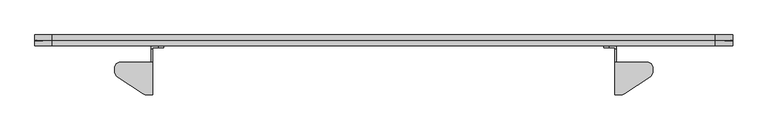
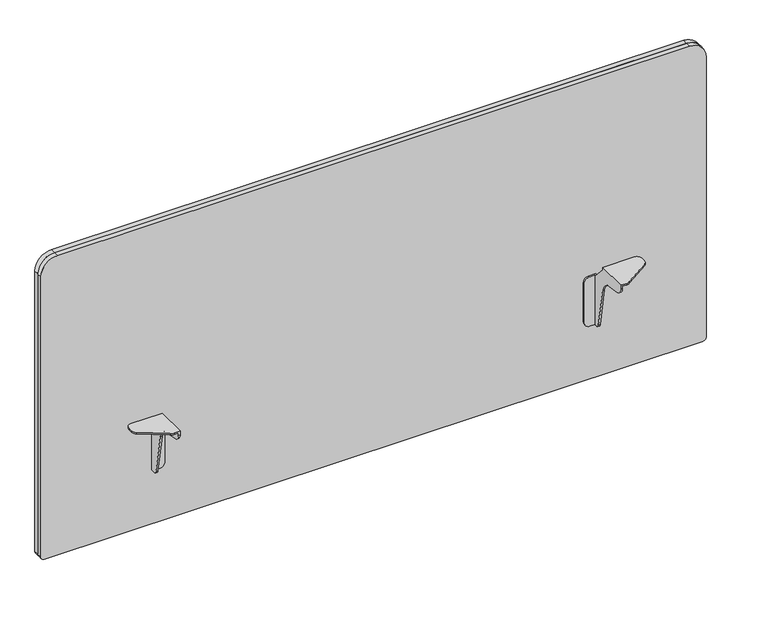
"""IFC4 building model written with IfcOpenShell, lengths in millimetres: furniture geometry."""

from ifc_helpers import new_model, si_unit, frame, origin, place, context, project, spatial, polyline, circle_curve, source, transform, mapped, element, save
from ifc_brep_helpers import plane_surface, cylinder_surface, revolved_surface, advanced_brep


def furniture_e84cbcf6(model_context):
    return source(origin(), model_context, "Body", "AdvancedBrep", [
        advanced_brep(
        [(206.8829935, -4.3180001, 711.1999758), (150.402651, -4.3180001, 711.1999758), (140.5889931, -14.1316581, 711.1999758), (140.5889931, -20.7803664, 711.1999758), (145.2146694, -29.3891686, 711.1999758), (190.0644164, -59.0745687, 711.1999758), (196.3290217, -60.9600009, 711.1999758), (206.8829935, -60.9600009, 711.1999758), (196.3290217, -60.9600009, 708.1519787), (190.0644164, -59.0745687, 708.1519787), (145.2146694, -29.3891686, 708.1519787), (140.5889931, -20.7803664, 708.1519787), (140.5889931, -14.1316581, 708.1519787), (150.402651, -4.3180001, 708.1519787), (203.8349964, -4.3180001, 708.1519787), (203.8349964, -60.9600009, 708.1519787), (206.8829935, -4.3180001, 706.1199806), (203.8349964, -4.3180001, 706.1199806), (203.8349964, -60.9600009, 703.8265101), (206.8829935, -60.9600009, 703.8265101), (206.8829935, -50.2113329, 691.0167374), (206.8829935, -23.9076971, 686.378678), (206.8829935, -3.731792, 666.2027591), (206.8829935, 9.5046172, 591.1353553), (206.8829935, 15.6509087, 585.9780044), (206.8829935, 20.8280006, 585.9780044), (206.8829935, 20.8280006, 681.227968), (206.8829935, 18.7960002, 681.227968), (203.8349964, 18.7960002, 681.227968), (203.8349964, 24.0041421, 681.227968), (203.8349964, 24.0041421, 585.9780044), (203.8349964, 15.6509087, 585.9780044), (203.8349964, 9.5046172, 591.1353553), (203.8349964, -3.731792, 666.2027591), (203.8349964, -23.9076971, 686.378678), (203.8349964, -50.2113329, 691.0167374), (216.6619932, 24.0041421, 681.227968), (226.1869932, 24.0041421, 671.702968), (226.1869932, 24.0041421, 595.5030044), (216.6619932, 24.0041421, 585.9780044), (216.6619932, 20.8280006, 585.9780044), (216.6619932, 20.8280006, 681.227968), (226.1869932, 20.8280006, 595.5030044), (226.1869932, 20.8280006, 671.702968)],
        [
            (0, 1),
            (1, 2, circle_curve(frame((150.402651, -14.1316581, 711.1999758), z_axis=(0.0, 0.0, 1.0), x_axis=(-1.0, 0.0, 0.0)), 9.8136579)),
            (2, 3),
            (3, 4, circle_curve(frame((150.9127113, -20.7803664, 711.1999758), z_axis=(0.0, 0.0, 1.0), x_axis=(-1.0, 0.0, 0.0)), 10.3237182)),
            (4, 5),
            (5, 6, circle_curve(frame((196.3290217, -49.6097826, 711.1999758), z_axis=(0.0, 0.0, 1.0), x_axis=(-1.0, 0.0, 0.0)), 11.3502183)),
            (6, 7),
            (7, 0),
            (8, 9, circle_curve(frame((196.3290217, -49.6097826, 708.1519787), z_axis=(0.0, 0.0, -1.0), x_axis=(-1.0, 0.0, 0.0)), 11.3502183)),
            (9, 10),
            (10, 11, circle_curve(frame((150.9127113, -20.7803664, 708.1519787), z_axis=(0.0, 0.0, -1.0), x_axis=(-1.0, 0.0, 0.0)), 10.3237182)),
            (11, 12),
            (12, 13, circle_curve(frame((150.402651, -14.1316581, 708.1519787), z_axis=(0.0, 0.0, -1.0), x_axis=(-1.0, 0.0, 0.0)), 9.8136579)),
            (13, 14),
            (14, 15),
            (15, 8),
            (0, 16),
            (16, 17),
            (17, 14),
            (13, 1),
            (12, 2),
            (11, 3),
            (10, 4),
            (9, 5),
            (8, 6),
            (15, 18),
            (18, 19),
            (19, 7),
            (19, 20, circle_curve(frame((206.8829935, -47.9526152, 703.8265101), z_axis=(1.0, 0.0, 0.0), x_axis=(0.0, 1.0, 0.0)), 13.0073857)),
            (20, 21),
            (21, 22, circle_curve(frame((206.8829935, -28.2268544, 661.8836185), z_axis=(-1.0, 0.0, 0.0), x_axis=(0.0, 1.0, 0.0)), 24.8729383)),
            (22, 23),
            (23, 24, circle_curve(frame((206.8829935, 15.6509087, 592.2191124), z_axis=(1.0, 0.0, 0.0), x_axis=(0.0, 1.0, 0.0)), 6.241108)),
            (24, 25),
            (25, 26),
            (26, 27),
            (27, 16),
            (17, 28),
            (28, 29),
            (29, 30),
            (30, 31),
            (31, 32, circle_curve(frame((203.8349964, 15.6509087, 592.2191124), z_axis=(-1.0, 0.0, 0.0), x_axis=(0.0, 1.0, 0.0)), 6.241108)),
            (32, 33),
            (33, 34, circle_curve(frame((203.8349964, -28.2268544, 661.8836185), z_axis=(1.0, 0.0, 0.0), x_axis=(0.0, 1.0, 0.0)), 24.8729383)),
            (34, 35),
            (35, 18, circle_curve(frame((203.8349964, -47.9526152, 703.8265101), z_axis=(-1.0, 0.0, 0.0), x_axis=(0.0, 1.0, 0.0)), 13.0073857)),
            (29, 36),
            (36, 37, circle_curve(frame((216.6619932, 24.0041421, 671.702968), z_axis=(0.0, 1.0, 0.0), x_axis=(1.0, 0.0, 0.0)), 9.525)),
            (37, 38),
            (38, 39, circle_curve(frame((216.6619932, 24.0041421, 595.5030044), z_axis=(0.0, 1.0, 0.0), x_axis=(1.0, 0.0, 0.0)), 9.525)),
            (39, 30),
            (35, 20),
            (34, 21),
            (33, 22),
            (32, 23),
            (31, 24),
            (39, 40),
            (40, 25),
            (28, 27),
            (26, 41),
            (41, 36),
            (40, 42, circle_curve(frame((216.6619932, 20.8280006, 595.5030044), z_axis=(0.0, -1.0, 0.0), x_axis=(1.0, 0.0, 0.0)), 9.525)),
            (42, 43),
            (43, 41, circle_curve(frame((216.6619932, 20.8280006, 671.702968), z_axis=(0.0, -1.0, 0.0), x_axis=(1.0, 0.0, 0.0)), 9.525)),
            (38, 42),
            (37, 43),
        ],
        [
            plane_surface(frame((150.402651, -4.3180001, 711.1999758), z_axis=(0.0, 0.0, 1.0), x_axis=(-1.0, 0.0, 0.0))),
            plane_surface(frame((150.402651, -4.3180001, 708.1519787), z_axis=(0.0, 0.0, -1.0), x_axis=(1.0, 0.0, 0.0))),
            plane_surface(frame((206.8829935, -4.3180001, 711.1999758), z_axis=(0.0, 1.0, 0.0), x_axis=(0.0, 0.0, -1.0))),
            cylinder_surface(frame((150.402651, -14.1316581, 708.1519787), z_axis=(0.0, 0.0, 1.0), x_axis=(-1.0, 0.0, 0.0)), 9.8136579),
            plane_surface(frame((140.5889931, -14.1316581, 711.1999758), z_axis=(-1.0, 0.0, 0.0), x_axis=(0.0, 0.0, -1.0))),
            cylinder_surface(frame((150.9127113, -20.7803664, 708.1519787), z_axis=(0.0, 0.0, 1.0), x_axis=(-1.0, 0.0, 0.0)), 10.3237182),
            plane_surface(frame((145.2146694, -29.3891686, 711.1999758), z_axis=(-0.5519369866119054, -0.8338858212068182, 0.0), x_axis=(0.0, 0.0, -1.0))),
            cylinder_surface(frame((196.3290217, -49.6097826, 708.1519787), z_axis=(0.0, 0.0, 1.0), x_axis=(-1.0, 0.0, 0.0)), 11.3502183),
            plane_surface(frame((196.3290217, -60.9600009, 711.1999758), z_axis=(0.0, -1.0, 0.0), x_axis=(0.0, 0.0, -1.0))),
            plane_surface(frame((206.8829935, -60.9600009, 711.1999758), z_axis=(1.0, 0.0, 0.0), x_axis=(0.0, 0.0, -1.0))),
            plane_surface(frame((203.8349964, -60.9600009, 708.1519787), z_axis=(-1.0, 0.0, 0.0), x_axis=(0.0, 1.0, 0.0))),
            plane_surface(frame((206.8829935, 24.0041421, 585.9780044), z_axis=(0.0, 1.0, 0.0), x_axis=(-1.0, 0.0, 0.0))),
            cylinder_surface(frame((203.8349964, -47.9526152, 703.8265101), z_axis=(1.0, 0.0, 0.0), x_axis=(0.0, 1.0, 0.0)), 13.0073857),
            plane_surface(frame((206.8829935, -50.2113329, 691.0167374), z_axis=(0.0, -0.17364885742427638, -0.9848076331524057), x_axis=(-1.0, 0.0, 0.0))),
            revolved_surface(polyline([(203.8349964, -3.3539160999999993, 661.8836185), (206.8829935, -3.3539160999999993, 661.8836185)]), (203.8349964, -28.2268544, 661.8836185), (-1.0, 0.0, 0.0)),
            plane_surface(frame((206.8829935, -3.731792, 666.2027591), z_axis=(0.0, -0.9848077519646093, -0.17364818360815795), x_axis=(-1.0, 0.0, 0.0))),
            cylinder_surface(frame((203.8349964, 15.6509087, 592.2191124), z_axis=(1.0, 0.0, 0.0), x_axis=(0.0, 1.0, 0.0)), 6.241108),
            plane_surface(frame((206.8829935, 15.6509087, 585.9780044), z_axis=(0.0, 0.0, -1.0), x_axis=(-1.0, 0.0, 0.0))),
            plane_surface(frame((206.8829935, 24.0041421, 681.227968), z_axis=(0.0, 0.0, 1.0), x_axis=(-1.0, 0.0, 0.0))),
            plane_surface(frame((206.8829935, 18.7960002, 681.227968), z_axis=(0.0, 0.7327936577078579, 0.6804509205101709), x_axis=(-1.0, 0.0, 0.0))),
            plane_surface(frame((216.6619932, 20.8280006, 585.9780044), z_axis=(0.0, -1.0, 0.0), x_axis=(1.0, 0.0, 0.0))),
            cylinder_surface(frame((216.6619932, 24.0041421, 595.5030044), z_axis=(0.0, -1.0, 0.0), x_axis=(1.0, 0.0, 0.0)), 9.525),
            plane_surface(frame((226.1869932, 20.8280006, 595.5030044), z_axis=(1.0, 0.0, 0.0), x_axis=(0.0, 1.0, 0.0))),
            cylinder_surface(frame((216.6619932, 24.0041421, 671.702968), z_axis=(0.0, -1.0, 0.0), x_axis=(1.0, 0.0, 0.0)), 9.525),
        ],
        [
            (0, [[1, 2, 3, 4, 5, 6, 7, 8]]),
            (1, [[9, 10, 11, 12, 13, 14, 15, 16]]),
            (2, [[-1, 17, 18, 19, -14, 20]]),
            (3, [[-2, -20, -13, 21]]),
            (4, [[-3, -21, -12, 22]]),
            (5, [[-4, -22, -11, 23]]),
            (6, [[-5, -23, -10, 24]]),
            (7, [[-6, -24, -9, 25]]),
            (8, [[-7, -25, -16, 26, 27, 28]]),
            (9, [[-8, -28, 29, 30, 31, 32, 33, 34, 35, 36, 37, -17]]),
            (10, [[-19, 38, 39, 40, 41, 42, 43, 44, 45, 46, -26, -15]]),
            (11, [[-40, 47, 48, 49, 50, 51]]),
            (12, [[-46, 52, -29, -27]]),
            (13, [[-45, 53, -30, -52]]),
            (14, [[-44, 54, -31, -53]]),
            (15, [[-43, 55, -32, -54]]),
            (16, [[-42, 56, -33, -55]]),
            (17, [[-56, -41, -51, 57, 58, -34]]),
            (18, [[59, -36, 60, 61, -47, -39]]),
            (19, [[-38, -18, -37, -59]]),
            (20, [[62, 63, 64, -60, -35, -58]]),
            (21, [[-62, -57, -50, 65]]),
            (22, [[-63, -65, -49, 66]]),
            (23, [[-64, -66, -48, -61]]),
        ],
    ),
        advanced_brep(
        [(1012.3169884, -4.3180001, 711.1999758), (1012.3169884, -60.9600009, 711.1999758), (1022.8709601, -60.9600009, 711.1999758), (1029.1355654, -59.0745687, 711.1999758), (1073.9853125, -29.3891686, 711.1999758), (1078.6109887, -20.7803664, 711.1999758), (1078.6109887, -14.1316581, 711.1999758), (1068.7973308, -4.3180001, 711.1999758), (1068.7973308, -4.3180001, 708.1519787), (1078.6109887, -14.1316581, 708.1519787), (1078.6109887, -20.7803664, 708.1519787), (1073.9853125, -29.3891686, 708.1519787), (1029.1355654, -59.0745687, 708.1519787), (1022.8709601, -60.9600009, 708.1519787), (1015.3649855, -60.9600009, 708.1519787), (1015.3649855, -4.3180001, 708.1519787), (1012.3169884, -4.3180001, 706.1199806), (1012.3169884, 18.7960002, 681.227968), (1012.3169884, 20.8280006, 681.227968), (1012.3169884, 20.8280006, 585.9780044), (1012.3169884, 15.6509087, 585.9780044), (1012.3169884, 9.5046172, 591.1353553), (1012.3169884, -3.731792, 666.2027591), (1012.3169884, -23.9076971, 686.378678), (1012.3169884, -50.2113329, 691.0167374), (1012.3169884, -60.9600009, 703.8265101), (1015.3649855, -60.9600009, 703.8265101), (1015.3649855, -4.3180001, 706.1199806), (1015.3655941, 24.0041421, 585.9780044), (1002.5385972, 24.0041421, 585.9780044), (993.0135972, 24.0041421, 595.5030044), (993.0135972, 24.0041421, 671.702968), (1002.5385972, 24.0041421, 681.227968), (1015.3655941, 24.0041421, 681.227968), (1002.5385972, 20.8280006, 681.227968), (993.0135972, 20.8280006, 671.702968), (993.0135972, 20.8280006, 595.5030044), (1002.5385972, 20.8280006, 585.9780044), (1015.3655941, 18.7960002, 681.227968), (1015.3655941, -50.2113329, 691.0167374), (1015.3655941, -23.9076971, 686.378678), (1015.3655941, -3.731792, 666.2027591), (1015.3655941, 9.5046172, 591.1353553), (1015.3655941, 15.6509087, 585.9780044)],
        [
            (0, 1),
            (1, 2),
            (2, 3, circle_curve(frame((1022.8709601, -49.6097826, 711.1999758), z_axis=(0.0, 0.0, 1.0), x_axis=(-1.0, 0.0, 0.0)), 11.3502183)),
            (3, 4),
            (4, 5, circle_curve(frame((1068.2872706, -20.7803664, 711.1999758), z_axis=(0.0, 0.0, 1.0), x_axis=(-1.0, 0.0, 0.0)), 10.3237182)),
            (5, 6),
            (6, 7, circle_curve(frame((1068.7973308, -14.1316581, 711.1999758), z_axis=(0.0, 0.0, 1.0), x_axis=(-1.0, 0.0, 0.0)), 9.8136579)),
            (7, 0),
            (8, 9, circle_curve(frame((1068.7973308, -14.1316581, 708.1519787), z_axis=(0.0, 0.0, -1.0), x_axis=(-1.0, 0.0, 0.0)), 9.8136579)),
            (9, 10),
            (10, 11, circle_curve(frame((1068.2872706, -20.7803664, 708.1519787), z_axis=(0.0, 0.0, -1.0), x_axis=(-1.0, 0.0, 0.0)), 10.3237182)),
            (11, 12),
            (12, 13, circle_curve(frame((1022.8709601, -49.6097826, 708.1519787), z_axis=(0.0, 0.0, -1.0), x_axis=(-1.0, 0.0, 0.0)), 11.3502183)),
            (13, 14),
            (14, 15),
            (15, 8),
            (0, 16),
            (16, 17),
            (17, 18),
            (18, 19),
            (19, 20),
            (20, 21, circle_curve(frame((1012.3169884, 15.6509087, 592.2191124), z_axis=(-1.0, 0.0, 0.0), x_axis=(0.0, 1.0, 0.0)), 6.241108)),
            (21, 22),
            (22, 23, circle_curve(frame((1012.3169884, -28.2268544, 661.8836185), z_axis=(1.0, 0.0, 0.0), x_axis=(0.0, 1.0, 0.0)), 24.8729383)),
            (23, 24),
            (24, 25, circle_curve(frame((1012.3169884, -47.9526152, 703.8265101), z_axis=(-1.0, 0.0, 0.0), x_axis=(0.0, 1.0, 0.0)), 13.0073857)),
            (25, 1),
            (25, 26),
            (26, 14),
            (13, 2),
            (12, 3),
            (11, 4),
            (10, 5),
            (9, 6),
            (8, 7),
            (15, 27),
            (27, 16),
            (28, 29),
            (29, 30, circle_curve(frame((1002.5385972, 24.0041421, 595.5030044), z_axis=(0.0, 1.0, 0.0), x_axis=(1.0, 0.0, 0.0)), 9.525)),
            (30, 31),
            (31, 32, circle_curve(frame((1002.5385972, 24.0041421, 671.702968), z_axis=(0.0, 1.0, 0.0), x_axis=(1.0, 0.0, 0.0)), 9.525)),
            (32, 33),
            (33, 28),
            (34, 35, circle_curve(frame((1002.5385972, 20.8280006, 671.702968), z_axis=(0.0, -1.0, 0.0), x_axis=(1.0, 0.0, 0.0)), 9.525)),
            (35, 36),
            (36, 37, circle_curve(frame((1002.5385972, 20.8280006, 595.5030044), z_axis=(0.0, -1.0, 0.0), x_axis=(1.0, 0.0, 0.0)), 9.525)),
            (37, 19),
            (18, 34),
            (33, 38),
            (38, 27),
            (26, 39, circle_curve(frame((1015.3655941, -47.9526152, 703.8265101), z_axis=(1.0, 0.0, 0.0), x_axis=(0.0, 1.0, 0.0)), 13.0073857)),
            (39, 40),
            (40, 41, circle_curve(frame((1015.3655941, -28.2268544, 661.8836185), z_axis=(-1.0, 0.0, 0.0), x_axis=(0.0, 1.0, 0.0)), 24.8729383)),
            (41, 42),
            (42, 43, circle_curve(frame((1015.3655941, 15.6509087, 592.2191124), z_axis=(1.0, 0.0, 0.0), x_axis=(0.0, 1.0, 0.0)), 6.241108)),
            (43, 28),
            (32, 34),
            (17, 38),
            (31, 35),
            (30, 36),
            (29, 37),
            (43, 20),
            (39, 24),
            (23, 40),
            (42, 21),
            (41, 22),
        ],
        [
            plane_surface(frame((150.402651, -4.3180001, 711.1999758), z_axis=(0.0, 0.0, 1.0), x_axis=(-1.0, 0.0, 0.0))),
            plane_surface(frame((150.402651, -4.3180001, 708.1519787), z_axis=(0.0, 0.0, -1.0), x_axis=(1.0, 0.0, 0.0))),
            plane_surface(frame((1012.3169884, -4.3180001, 711.1999758), z_axis=(-1.0, 0.0, 0.0), x_axis=(0.0, 0.0, -1.0))),
            plane_surface(frame((1012.3169884, -60.9600009, 711.1999758), z_axis=(0.0, -1.0, 0.0), x_axis=(0.0, 0.0, -1.0))),
            cylinder_surface(frame((1022.8709601, -49.6097826, 629.5388266), z_axis=(0.0, 0.0, 1.0), x_axis=(-1.0, 0.0, 0.0)), 11.3502183),
            plane_surface(frame((1029.1355654, -59.0745687, 711.1999758), z_axis=(0.5519369866119077, -0.8338858212068166, 0.0), x_axis=(0.0, 0.0, -1.0))),
            cylinder_surface(frame((1068.2872706, -20.7803664, 629.5388266), z_axis=(0.0, 0.0, 1.0), x_axis=(-1.0, 0.0, 0.0)), 10.3237182),
            plane_surface(frame((1078.6109887, -20.7803664, 711.1999758), z_axis=(1.0, 0.0, 0.0), x_axis=(0.0, 0.0, -1.0))),
            cylinder_surface(frame((1068.7973308, -14.1316581, 629.5388266), z_axis=(0.0, 0.0, 1.0), x_axis=(-1.0, 0.0, 0.0)), 9.8136579),
            plane_surface(frame((1068.7973308, -4.3180001, 711.1999758), z_axis=(0.0, 1.0, 0.0), x_axis=(0.0, 0.0, -1.0))),
            plane_surface(frame((206.8829935, 24.0041421, 585.9780044), z_axis=(0.0, 1.0, 0.0), x_axis=(-1.0, 0.0, 0.0))),
            plane_surface(frame((216.6619932, 20.8280006, 585.9780044), z_axis=(0.0, -1.0, 0.0), x_axis=(1.0, 0.0, 0.0))),
            plane_surface(frame((1015.3655941, 20.8280006, 585.9780044), z_axis=(1.0, 0.0, 0.0), x_axis=(0.0, 1.0, 0.0))),
            plane_surface(frame((1015.3655941, 20.8280006, 681.227968), z_axis=(0.0, 0.0, 1.0), x_axis=(0.0, 1.0, 0.0))),
            cylinder_surface(frame((1002.5385972, 0.0, 671.702968), z_axis=(0.0, -1.0, 0.0), x_axis=(1.0, 0.0, 0.0)), 9.525),
            plane_surface(frame((993.0135972, 20.8280006, 671.702968), z_axis=(-1.0, 0.0, 0.0), x_axis=(0.0, 1.0, 0.0))),
            cylinder_surface(frame((1002.5385972, 0.0, 595.5030044), z_axis=(0.0, -1.0, 0.0), x_axis=(1.0, 0.0, 0.0)), 9.525),
            plane_surface(frame((1002.5385972, 20.8280006, 585.9780044), z_axis=(0.0, 0.0, -1.0), x_axis=(0.0, 1.0, 0.0))),
            plane_surface(frame((1012.3169884, -23.9076971, 686.378678), z_axis=(0.0, -0.1736488574242608, -0.9848076331524086), x_axis=(1.0, 0.0, 0.0))),
            cylinder_surface(frame((1015.3649855, -47.9526152, 703.8265101), z_axis=(-1.0, 0.0, 0.0), x_axis=(0.0, 1.0, 0.0)), 13.0073857),
            plane_surface(frame((1012.3169884, -4.3180001, 706.1199806), z_axis=(0.0, 0.7327936577079038, 0.6804509205101213), x_axis=(1.0, 0.0, 0.0))),
            cylinder_surface(frame((1015.3649855, 15.6509087, 592.2191124), z_axis=(-1.0, 0.0, 0.0), x_axis=(0.0, 1.0, 0.0)), 6.241108),
            plane_surface(frame((1012.3169884, 9.5046172, 591.1353553), z_axis=(0.0, -0.9848077519646028, -0.1736481836081949), x_axis=(1.0, 0.0, 0.0))),
            revolved_surface(polyline([(1015.3655941, -3.3539160999999993, 661.8836185), (1012.3169884, -3.3539160999999993, 661.8836185)]), (1015.3649855, -28.2268544, 661.8836185), (1.0, 0.0, 0.0)),
        ],
        [
            (0, [[1, 2, 3, 4, 5, 6, 7, 8]]),
            (1, [[9, 10, 11, 12, 13, 14, 15, 16]]),
            (2, [[-1, 17, 18, 19, 20, 21, 22, 23, 24, 25, 26, 27]]),
            (3, [[-2, -27, 28, 29, -14, 30]]),
            (4, [[-3, -30, -13, 31]]),
            (5, [[-4, -31, -12, 32]]),
            (6, [[-5, -32, -11, 33]]),
            (7, [[-6, -33, -10, 34]]),
            (8, [[-7, -34, -9, 35]]),
            (9, [[-17, -8, -35, -16, 36, 37]]),
            (10, [[38, 39, 40, 41, 42, 43]]),
            (11, [[44, 45, 46, 47, -20, 48]]),
            (12, [[-43, 49, 50, -36, -15, -29, 51, 52, 53, 54, 55, 56]]),
            (13, [[-49, -42, 57, -48, -19, 58]]),
            (14, [[-44, -57, -41, 59]]),
            (15, [[-45, -59, -40, 60]]),
            (16, [[-46, -60, -39, 61]]),
            (17, [[-56, 62, -21, -47, -61, -38]]),
            (18, [[-52, 63, -25, 64]]),
            (19, [[-51, -28, -26, -63]]),
            (20, [[-50, -58, -18, -37]]),
            (21, [[-55, 65, -22, -62]]),
            (22, [[-54, 66, -23, -65]]),
            (23, [[-53, -64, -24, -66]]),
        ],
    ),
        advanced_brep(
        [(1211.3333048, 24.0439405, 481.5071282), (1217.6833048, 24.0439405, 487.8571282), (1217.6833048, 24.0439405, 1029.9183559), (1187.2033048, 24.0439405, 1060.3983559), (32.0103004, 24.0439405, 1060.3983559), (1.5303004, 24.0439405, 1029.9183559), (1.5303004, 24.0439405, 487.8571282), (7.8803004, 24.0439405, 481.5071282), (1217.6833048, 43.052968, 487.8571282), (1211.3333048, 43.052968, 481.5071282), (7.8803004, 43.052968, 481.5071282), (1.5303004, 43.052968, 487.8571282), (1.5303004, 43.052968, 1029.9183559), (32.0103004, 43.052968, 1060.3983559), (1187.2033048, 43.052968, 1060.3983559), (1217.6833048, 43.052968, 1029.9183559), (1217.6833048, 33.781986, 487.8571282), (1211.3333048, 33.781986, 481.5071282), (1216.8831773, 33.5484543, 487.8571282), (1211.3333048, 33.5484543, 482.3072558), (1217.6833048, 33.3149225, 487.8571282), (1211.3333048, 33.3149225, 481.5071282), (1217.6833048, 33.781986, 1029.9183559), (1216.8831773, 33.5484543, 1029.9183559), (1217.6833048, 33.3149225, 1029.9183559), (1187.2033048, 33.781986, 1060.3983559), (1187.2033048, 33.5484543, 1059.5982283), (1187.2033048, 33.3149225, 1060.3983559), (32.0103004, 33.781986, 1060.3983559), (32.0103004, 33.5484543, 1059.5982283), (32.0103004, 33.3149225, 1060.3983559), (1.5303004, 33.781986, 1029.9183559), (2.3304279, 33.5484543, 1029.9183559), (1.5303004, 33.3149225, 1029.9183559), (1.5303004, 33.781986, 487.8571282), (2.3304279, 33.5484543, 487.8571282), (1.5303004, 33.3149225, 487.8571282), (7.8803004, 33.781986, 481.5071282), (7.8803004, 33.5484543, 482.3072558), (7.8803004, 33.3149225, 481.5071282)],
        [
            (0, 1, circle_curve(frame((1211.3333048, 24.0439405, 487.8571282), z_axis=(0.0, -1.0, 0.0), x_axis=(0.0, 0.0, -1.0)), 6.35)),
            (1, 2),
            (2, 3, circle_curve(frame((1187.2033048, 24.0439405, 1029.9183559), z_axis=(0.0, -1.0, 0.0), x_axis=(1.0, 0.0, 0.0)), 30.48)),
            (3, 4),
            (4, 5, circle_curve(frame((32.0103004, 24.0439405, 1029.9183559), z_axis=(0.0, -1.0, 0.0), x_axis=(0.0, 0.0, 1.0)), 30.48)),
            (5, 6),
            (6, 7, circle_curve(frame((7.8803004, 24.0439405, 487.8571282), z_axis=(0.0, -1.0, 0.0), x_axis=(-1.0, 0.0, 0.0)), 6.35)),
            (7, 0),
            (8, 9, circle_curve(frame((1211.3333048, 43.052968, 487.8571282), z_axis=(0.0, 1.0, 0.0), x_axis=(0.0, 0.0, -1.0)), 6.35)),
            (9, 10),
            (10, 11, circle_curve(frame((7.8803004, 43.052968, 487.8571282), z_axis=(0.0, 1.0, 0.0), x_axis=(-1.0, 0.0, 0.0)), 6.35)),
            (11, 12),
            (12, 13, circle_curve(frame((32.0103004, 43.052968, 1029.9183559), z_axis=(0.0, 1.0, 0.0), x_axis=(0.0, 0.0, 1.0)), 30.48)),
            (13, 14),
            (14, 15, circle_curve(frame((1187.2033048, 43.052968, 1029.9183559), z_axis=(0.0, 1.0, 0.0), x_axis=(1.0, 0.0, 0.0)), 30.48)),
            (15, 8),
            (16, 17, circle_curve(frame((1211.3333048, 33.781986, 487.8571282), z_axis=(0.0, 1.0, 0.0), x_axis=(0.0, 0.0, -1.0)), 6.35)),
            (17, 9),
            (8, 16),
            (16, 18),
            (18, 19, circle_curve(frame((1211.3333048, 33.5484543, 487.8571282), z_axis=(0.0, 1.0, 0.0), x_axis=(0.0, 0.0, -1.0)), 5.5498725)),
            (19, 17),
            (18, 20),
            (20, 21, circle_curve(frame((1211.3333048, 33.3149225, 487.8571282), z_axis=(0.0, 1.0, 0.0), x_axis=(0.0, 0.0, -1.0)), 6.35)),
            (21, 19),
            (20, 1),
            (0, 21),
            (15, 22),
            (22, 16),
            (22, 23),
            (23, 18),
            (23, 24),
            (24, 20),
            (24, 2),
            (14, 25),
            (25, 22, circle_curve(frame((1187.2033048, 33.781986, 1029.9183559), z_axis=(0.0, 1.0, 0.0), x_axis=(1.0, 0.0, 0.0)), 30.48)),
            (25, 26),
            (26, 23, circle_curve(frame((1187.2033048, 33.5484543, 1029.9183559), z_axis=(0.0, 1.0, 0.0), x_axis=(1.0, 0.0, 0.0)), 29.6798725)),
            (26, 27),
            (27, 24, circle_curve(frame((1187.2033048, 33.3149225, 1029.9183559), z_axis=(0.0, 1.0, 0.0), x_axis=(1.0, 0.0, 0.0)), 30.48)),
            (27, 3),
            (13, 28),
            (28, 25),
            (28, 29),
            (29, 26),
            (29, 30),
            (30, 27),
            (30, 4),
            (12, 31),
            (31, 28, circle_curve(frame((32.0103004, 33.781986, 1029.9183559), z_axis=(0.0, 1.0, 0.0), x_axis=(0.0, 0.0, 1.0)), 30.48)),
            (31, 32),
            (32, 29, circle_curve(frame((32.0103004, 33.5484543, 1029.9183559), z_axis=(0.0, 1.0, 0.0), x_axis=(0.0, 0.0, 1.0)), 29.6798725)),
            (32, 33),
            (33, 30, circle_curve(frame((32.0103004, 33.3149225, 1029.9183559), z_axis=(0.0, 1.0, 0.0), x_axis=(0.0, 0.0, 1.0)), 30.48)),
            (33, 5),
            (11, 34),
            (34, 31),
            (34, 35),
            (35, 32),
            (35, 36),
            (36, 33),
            (36, 6),
            (10, 37),
            (37, 34, circle_curve(frame((7.8803004, 33.781986, 487.8571282), z_axis=(0.0, 1.0, 0.0), x_axis=(-1.0, 0.0, 0.0)), 6.35)),
            (37, 38),
            (38, 35, circle_curve(frame((7.8803004, 33.5484543, 487.8571282), z_axis=(0.0, 1.0, 0.0), x_axis=(-1.0, 0.0, 0.0)), 5.5498725)),
            (38, 39),
            (39, 36, circle_curve(frame((7.8803004, 33.3149225, 487.8571282), z_axis=(0.0, 1.0, 0.0), x_axis=(-1.0, 0.0, 0.0)), 6.35)),
            (39, 7),
            (17, 37),
            (19, 38),
            (21, 39),
        ],
        [
            plane_surface(frame((3.8562405, 24.0439405, 487.8571282), z_axis=(0.0, -1.0, 0.0), x_axis=(0.0, 0.0, -1.0))),
            plane_surface(frame((3.8562405, 43.052968, 487.8571282), z_axis=(0.0, 1.0, 0.0), x_axis=(0.0, 0.0, 1.0))),
            cylinder_surface(frame((1211.3333048, 33.5484543, 487.8571282), z_axis=(0.0, -1.0, 0.0), x_axis=(0.0, 0.0, -1.0)), 6.35),
            revolved_surface(polyline([(1211.3333048, 33.781986, 481.5071282), (1211.3333048, 33.5484543, 482.3072558)]), (1211.3333048, 33.5484543, 487.8571282), (0.0, -1.0, 0.0)),
            revolved_surface(polyline([(1211.3333048, 33.5484543, 482.3072558), (1211.3333048, 33.3149225, 481.5071282)]), (1211.3333048, 33.5484543, 487.8571282), (0.0, -1.0, 0.0)),
            plane_surface(frame((1217.6833048, 43.052968, 487.8571282), z_axis=(1.0, 0.0, 0.0), x_axis=(0.0, 0.0, 1.0))),
            plane_surface(frame((1217.6833048, 33.781986, 487.8571282), z_axis=(0.28017820000937, -0.9599480070501264, 0.0), x_axis=(0.0, 0.0, 1.0))),
            plane_surface(frame((1216.8831773, 33.5484543, 487.8571282), z_axis=(0.28017820000557897, 0.959948007051233, 0.0), x_axis=(0.0, 0.0, 1.0))),
            plane_surface(frame((1217.6833048, 33.3149225, 487.8571282), z_axis=(1.0, 0.0, 0.0), x_axis=(0.0, 0.0, 1.0))),
            cylinder_surface(frame((1187.2033048, 33.5484543, 1029.9183559), z_axis=(0.0, -1.0, 0.0), x_axis=(1.0, 0.0, 0.0)), 30.48),
            revolved_surface(polyline([(1217.6833048, 33.781986, 1029.9183559), (1216.8831773, 33.5484543, 1029.9183559)]), (1187.2033048, 33.5484543, 1029.9183559), (0.0, -1.0, 0.0)),
            revolved_surface(polyline([(1216.8831773, 33.5484543, 1029.9183559), (1217.6833048, 33.3149225, 1029.9183559)]), (1187.2033048, 33.5484543, 1029.9183559), (0.0, -1.0, 0.0)),
            plane_surface(frame((1187.2033048, 43.052968, 1060.3983559), z_axis=(0.0, 0.0, 1.0), x_axis=(-1.0, 0.0, 0.0))),
            plane_surface(frame((1187.2033048, 33.781986, 1060.3983559), z_axis=(0.0, -0.9599480070501255, 0.2801782000093731), x_axis=(-1.0, 0.0, 0.0))),
            plane_surface(frame((1187.2033048, 33.5484543, 1059.5982283), z_axis=(0.0, 0.9599480070512338, 0.28017820000557586), x_axis=(-1.0, 0.0, 0.0))),
            plane_surface(frame((1187.2033048, 33.3149225, 1060.3983559), z_axis=(0.0, 0.0, 1.0), x_axis=(-1.0, 0.0, 0.0))),
            cylinder_surface(frame((32.0103004, 33.5484543, 1029.9183559), z_axis=(0.0, -1.0, 0.0), x_axis=(0.0, 0.0, 1.0)), 30.48),
            revolved_surface(polyline([(32.0103004, 33.781986, 1060.3983559), (32.0103004, 33.5484543, 1059.5982283)]), (32.0103004, 33.5484543, 1029.9183559), (0.0, -1.0, 0.0)),
            revolved_surface(polyline([(32.0103004, 33.5484543, 1059.5982283), (32.0103004, 33.3149225, 1060.3983559)]), (32.0103004, 33.5484543, 1029.9183559), (0.0, -1.0, 0.0)),
            plane_surface(frame((1.5303004, 43.052968, 1029.9183559), z_axis=(-1.0, 0.0, 0.0), x_axis=(0.0, 0.0, -1.0))),
            plane_surface(frame((1.5303004, 33.781986, 1029.9183559), z_axis=(-0.2801782000093762, -0.9599480070501246, 0.0), x_axis=(0.0, 0.0, -1.0))),
            plane_surface(frame((2.3304279, 33.5484543, 1029.9183559), z_axis=(-0.28017820000557275, 0.9599480070512347, 0.0), x_axis=(0.0, 0.0, -1.0))),
            plane_surface(frame((1.5303004, 33.3149225, 1029.9183559), z_axis=(-1.0, 0.0, 0.0), x_axis=(0.0, 0.0, -1.0))),
            cylinder_surface(frame((7.8803004, 33.5484543, 487.8571282), z_axis=(0.0, -1.0, 0.0), x_axis=(-1.0, 0.0, 0.0)), 6.35),
            revolved_surface(polyline([(1.5303004, 33.781986, 487.8571282), (2.3304279, 33.5484543, 487.8571282)]), (7.8803004, 33.5484543, 487.8571282), (0.0, -1.0, 0.0)),
            revolved_surface(polyline([(2.3304279, 33.5484543, 487.8571282), (1.5303004, 33.3149225, 487.8571282)]), (7.8803004, 33.5484543, 487.8571282), (0.0, -1.0, 0.0)),
            plane_surface(frame((7.8803004, 43.052968, 481.5071282), z_axis=(0.0, 0.0, -1.0), x_axis=(1.0, 0.0, 0.0))),
            plane_surface(frame((7.8803004, 33.781986, 481.5071282), z_axis=(0.0, -0.9599480070501255, -0.2801782000093731), x_axis=(1.0, 0.0, 0.0))),
            plane_surface(frame((7.8803004, 33.5484543, 482.3072558), z_axis=(0.0, 0.9599480070512338, -0.28017820000557586), x_axis=(1.0, 0.0, 0.0))),
            plane_surface(frame((7.8803004, 33.3149225, 481.5071282), z_axis=(0.0, 0.0, -1.0), x_axis=(1.0, 0.0, 0.0))),
        ],
        [
            (0, [[1, 2, 3, 4, 5, 6, 7, 8]]),
            (1, [[9, 10, 11, 12, 13, 14, 15, 16]]),
            (2, [[17, 18, -9, 19]]),
            (3, [[-17, 20, 21, 22]]),
            (4, [[-21, 23, 24, 25]]),
            (2, [[-24, 26, -1, 27]]),
            (5, [[-19, -16, 28, 29]]),
            (6, [[-20, -29, 30, 31]]),
            (7, [[-23, -31, 32, 33]]),
            (8, [[-26, -33, 34, -2]]),
            (9, [[-28, -15, 35, 36]]),
            (10, [[-30, -36, 37, 38]]),
            (11, [[-32, -38, 39, 40]]),
            (9, [[-34, -40, 41, -3]]),
            (12, [[-35, -14, 42, 43]]),
            (13, [[-37, -43, 44, 45]]),
            (14, [[-39, -45, 46, 47]]),
            (15, [[-41, -47, 48, -4]]),
            (16, [[-42, -13, 49, 50]]),
            (17, [[-44, -50, 51, 52]]),
            (18, [[-46, -52, 53, 54]]),
            (16, [[-48, -54, 55, -5]]),
            (19, [[-49, -12, 56, 57]]),
            (20, [[-51, -57, 58, 59]]),
            (21, [[-53, -59, 60, 61]]),
            (22, [[-55, -61, 62, -6]]),
            (23, [[-56, -11, 63, 64]]),
            (24, [[-58, -64, 65, 66]]),
            (25, [[-60, -66, 67, 68]]),
            (23, [[-62, -68, 69, -7]]),
            (26, [[-18, 70, -63, -10]]),
            (27, [[-22, 71, -65, -70]]),
            (28, [[-25, 72, -67, -71]]),
            (29, [[-27, -8, -69, -72]]),
        ],
    ),
    ])


if __name__ == "__main__":
    model = new_model("IFC4")
    model_context = context("Model", 3, world=origin())
    ifc_project = project(units=[si_unit("LENGTHUNIT", "METRE", prefix="MILLI")], contexts=[model_context])
    site = spatial("IfcSite", under=ifc_project)
    building = spatial("IfcBuilding", under=site)
    placement = place(None, origin())
    furniture_shape = furniture_e84cbcf6(model_context)
    element("IfcFurniture", 1, at=placement, inside=building, context=model_context, shape_type="MappedRepresentation", body=[
        mapped(furniture_shape, transform((0.0, 0.0, 0.0), x_axis=(1.0, 0.0, 0.0), y_axis=(0.0, 1.0, 0.0), z_axis=(0.0, 0.0, 1.0))),
    ])
    save(model, "model.ifc")
